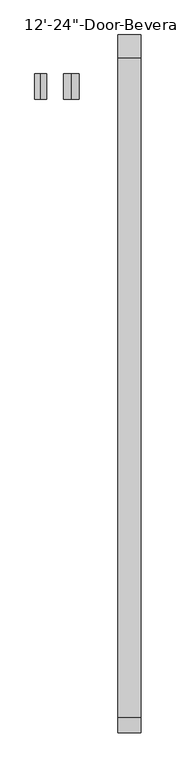
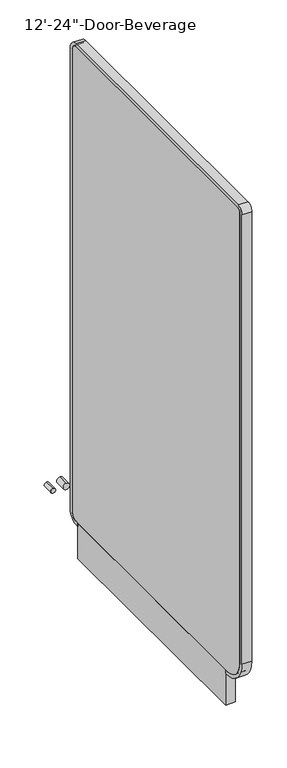
"""IFC4 building model written with IfcOpenShell, lengths in millimetres: proxy geometry."""

from ifc_helpers import new_model, si_unit, point, frame, frame_2d, origin, origin_with_axes, place, context, project, spatial, polyline, circle_curve, trimmed, segment, composite_curve, outline, extrude, source, transform, mapped, element, save


def proxy_30c5e089(model_context):
    return source(origin(), model_context, "Body", "SweptSolid", [
        extrude(outline(composite_curve([segment(polyline([(-1430.0946273, 232.1306), (-1430.0946273, 2063.6807921)]), True, "CONTINUOUS"), segment(trimmed(circle_curve(frame_2d((-1404.6946273, 2063.6807921)), 25.4), [point((-1430.0946273, 2063.6807921))], [point((-1404.6946273, 2089.0807921))], False, "CARTESIAN"), True, "CONTINUOUS"), segment(polyline([(-1404.6946273, 2089.0807921), (-323.6071273, 2089.0807921)]), True, "CONTINUOUS"), segment(trimmed(circle_curve(frame_2d((-323.6071273, 2050.9807921)), 38.1), [point((-323.6071273, 2089.0807921))], [point((-285.5071273, 2050.9807921))], False, "CARTESIAN"), True, "CONTINUOUS"), segment(polyline([(-285.5071273, 2050.9807921), (-285.5071273, 168.6306)]), True, "CONTINUOUS"), segment(trimmed(circle_curve(frame_2d((-323.6071273, 168.6306)), 38.1), [point((-285.5071273, 168.6306))], [point((-323.6071273, 130.5306))], False, "CARTESIAN"), True, "CONTINUOUS"), segment(polyline([(-323.6071273, 130.5306), (-336.3071273, 130.5306), (-336.3071273, 143.2306), (-323.6071273, 143.2306)]), True, "CONTINUOUS"), segment(trimmed(circle_curve(frame_2d((-323.6071273, 168.6306)), 25.4), [point((-323.6071273, 143.2306))], [point((-298.2071273, 168.6306))], True, "CARTESIAN"), True, "CONTINUOUS"), segment(polyline([(-298.2071273, 168.6306), (-298.2071273, 2050.9807921)]), True, "CONTINUOUS"), segment(trimmed(circle_curve(frame_2d((-323.6071273, 2050.9807921)), 25.4), [point((-298.2071273, 2050.9807921))], [point((-323.6071273, 2076.3807921))], True, "CARTESIAN"), True, "CONTINUOUS"), segment(polyline([(-323.6071273, 2076.3807921), (-1404.6946273, 2076.3807921)]), True, "CONTINUOUS"), segment(trimmed(circle_curve(frame_2d((-1404.6946273, 2063.6807921)), 12.7), [point((-1404.6946273, 2076.3807921))], [point((-1417.3946273, 2063.6807921))], True, "CARTESIAN"), True, "CONTINUOUS"), segment(polyline([(-1417.3946273, 2063.6807921), (-1417.3946273, 232.1306)]), True, "CONTINUOUS"), segment(trimmed(circle_curve(frame_2d((-1328.4946273, 232.1306)), 88.9), [point((-1417.3946273, 232.1306))], [point((-1328.4946273, 143.2306))], True, "CARTESIAN"), True, "CONTINUOUS"), segment(polyline([(-1328.4946273, 143.2306), (-1321.281026, 143.2306), (-1321.281026, 130.5306), (-1328.4946273, 130.5306)]), True, "CONTINUOUS"), segment(trimmed(circle_curve(frame_2d((-1328.4946273, 232.1306)), 101.6), [point((-1328.4946273, 130.5306))], [point((-1430.0946273, 232.1306))], False, "CARTESIAN"), True, "CONTINUOUS")], self_intersect=False)), frame((3657.6, 0.0, 0.0), z_axis=(1.0, 0.0, 0.0), x_axis=(0.0, 1.0, 0.0)), (0.0, 0.0, 1.0), 38.1),
        extrude(outline(polyline([(3695.7, -336.3071273), (3695.7, -1321.281026), (3657.6, -1321.281026), (3657.6, -336.3071273), (3695.7, -336.3071273)])), origin_with_axes(), (0.0, 0.0, 1.0), 143.2306),
        extrude(outline(composite_curve([segment(polyline([(-1404.6946273, 2076.3807921), (-323.6071273, 2076.3807921)]), True, "CONTINUOUS"), segment(trimmed(circle_curve(frame_2d((-323.6071273, 2050.9807921)), 25.4), [point((-323.6071273, 2076.3807921))], [point((-298.2071273, 2050.9807921))], False, "CARTESIAN"), True, "CONTINUOUS"), segment(polyline([(-298.2071273, 2050.9807921), (-298.2071273, 168.6306)]), True, "CONTINUOUS"), segment(trimmed(circle_curve(frame_2d((-323.6071273, 168.6306)), 25.4), [point((-298.2071273, 168.6306))], [point((-323.6071273, 143.2306))], False, "CARTESIAN"), True, "CONTINUOUS"), segment(polyline([(-323.6071273, 143.2306), (-1328.4946273, 143.2306)]), True, "CONTINUOUS"), segment(trimmed(circle_curve(frame_2d((-1328.4946273, 232.1306)), 88.9), [point((-1328.4946273, 143.2306))], [point((-1417.3946273, 232.1306))], False, "CARTESIAN"), True, "CONTINUOUS"), segment(polyline([(-1417.3946273, 232.1306), (-1417.3946273, 2063.6807921)]), True, "CONTINUOUS"), segment(trimmed(circle_curve(frame_2d((-1404.6946273, 2063.6807921)), 12.7), [point((-1417.3946273, 2063.6807921))], [point((-1404.6946273, 2076.3807921))], False, "CARTESIAN"), True, "CONTINUOUS")], self_intersect=False)), frame((3657.6, 0.0, 0.0), z_axis=(1.0, 0.0, 0.0), x_axis=(0.0, 1.0, 0.0)), (0.0, 0.0, 1.0), 38.1),
        extrude(outline(composite_curve([segment(trimmed(circle_curve(frame_2d((354.0125, 3581.4)), 12.7), [point((341.3125, 3581.4))], [point((366.7125, 3581.4))], False, "CARTESIAN"), True, "CONTINUOUS"), segment(trimmed(circle_curve(frame_2d((354.0125, 3581.4)), 12.7), [point((366.7125, 3581.4))], [point((341.3125, 3581.4))], False, "CARTESIAN"), True, "CONTINUOUS")], self_intersect=False)), frame((0.0, -390.6253644, 0.0), z_axis=(0.0, 1.0, 0.0), x_axis=(0.0, 0.0, 1.0)), (0.0, 0.0, 1.0), 41.6182371),
        extrude(outline(composite_curve([segment(trimmed(circle_curve(frame_2d((354.0125, 3530.6)), 9.525), [point((344.4875, 3530.6))], [point((363.5375, 3530.6))], False, "CARTESIAN"), True, "CONTINUOUS"), segment(trimmed(circle_curve(frame_2d((354.0125, 3530.6)), 9.525), [point((363.5375, 3530.6))], [point((344.4875, 3530.6))], False, "CARTESIAN"), True, "CONTINUOUS")], self_intersect=False)), frame((0.0, -390.6253644, 0.0), z_axis=(0.0, 1.0, 0.0), x_axis=(0.0, 0.0, 1.0)), (0.0, 0.0, 1.0), 41.6182371),
    ])


if __name__ == "__main__":
    model = new_model("IFC4")
    model_context = context("Model", 3, world=origin())
    ifc_project = project(units=[si_unit("LENGTHUNIT", "METRE", prefix="MILLI")], contexts=[model_context])
    site = spatial("IfcSite", under=ifc_project)
    building = spatial("IfcBuilding", under=site)
    placement = place(None, origin())
    proxy_shape = proxy_30c5e089(model_context)
    element("IfcBuildingElementProxy", 1, Name="12'-24\"-Door-Beverage", ObjectType="12'-24\"-Door-Beverage", at=placement, inside=building, context=model_context, shape_type="MappedRepresentation", body=[
        mapped(proxy_shape, transform((0.0, 0.0, 0.0), x_axis=(1.0, 0.0, 0.0), y_axis=(0.0, 1.0, 0.0), z_axis=(0.0, 0.0, 1.0))),
    ])
    save(model, "model.ifc")
